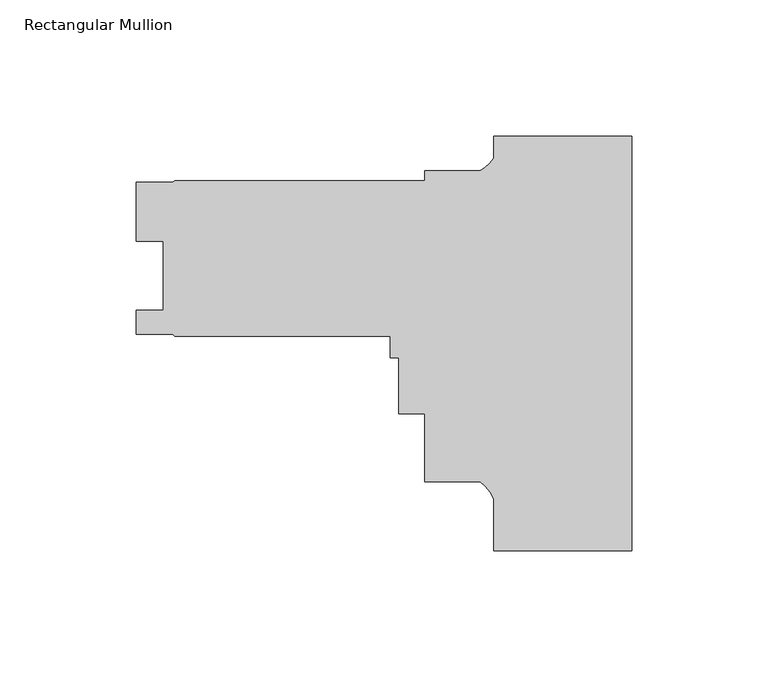
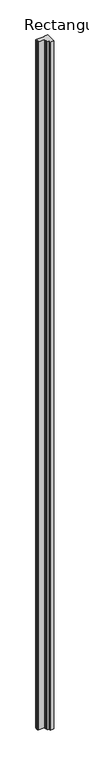
"""IFC4 building model written with IfcOpenShell, lengths in millimetres: member geometry, Rectangular Mullion."""

from ifc_helpers import new_model, si_unit, point, frame, frame_2d, origin, place, context, project, spatial, polyline, circle_curve, trimmed, segment, composite_curve, outline, extrude, source, transform, mapped, element, save


def rectangular_mullion_649ed2ca(model_context):
    return source(origin(), model_context, "Body", "SweptSolid", [
        extrude(outline(composite_curve([segment(polyline([(0.0, -151.8046875), (-50.8, -151.8046875), (-50.8, -132.7155246)]), True, "CONTINUOUS"), segment(trimmed(circle_curve(frame_2d((-64.9144624, -138.7686396)), 15.3576772), [point((-50.8, -132.7155246))], [point((-55.6934851, -126.4872786))], True, "CARTESIAN"), True, "CONTINUOUS"), segment(polyline([(-55.6934851, -126.4872786), (-76.1999898, -126.4872786), (-76.1999898, -101.4428786), (-85.7249898, -101.4428786), (-85.7249898, -80.8180786), (-88.8999898, -80.8180786), (-88.8999898, -73.031823), (-167.9927668, -73.031823), (-168.7865168, -72.238073), (-182.2802668, -72.238073), (-182.2802668, -63.500473), (-172.2345667, -63.500473), (-172.2345667, -38.100473), (-182.2675665, -38.100473), (-182.2675665, -16.3390229), (-168.7846602, -16.3390229), (-167.9927668, -15.881823), (-76.1999898, -15.881823), (-76.1999898, -12.1872786), (-55.7723453, -12.1872786)]), True, "CONTINUOUS"), segment(trimmed(circle_curve(frame_2d((-62.7094465, 0.3883845)), 14.3621265), [point((-55.7723453, -12.1872786))], [point((-50.8, -7.6388043))], True, "CARTESIAN"), True, "CONTINUOUS"), segment(polyline([(-50.8, -7.6388043), (-50.8, 0.5953125), (0.0, 0.5953125), (0.0, -151.8046875)]), True, "CONTINUOUS")], self_intersect=False)), frame((0.0, 0.0, -10462.5941557), z_axis=(0.0, 0.0, 1.0), x_axis=(1.0, 0.0, 0.0)), (0.0, 0.0, 1.0), 10462.5941557),
    ])


if __name__ == "__main__":
    model = new_model("IFC4")
    model_context = context("Model", 3, world=origin())
    ifc_project = project(units=[si_unit("LENGTHUNIT", "METRE", prefix="MILLI")], contexts=[model_context])
    site = spatial("IfcSite", under=ifc_project)
    building = spatial("IfcBuilding", under=site)
    placement = place(None, origin())
    rectangular_mullion_shape = rectangular_mullion_649ed2ca(model_context)
    element("IfcMember", 1, ObjectType="Rectangular Mullion", at=placement, inside=building, context=model_context, shape_type="MappedRepresentation", body=[
        mapped(rectangular_mullion_shape, transform((0.0, 0.0, 0.0), x_axis=(1.0, 0.0, 0.0), y_axis=(0.0, 1.0, 0.0), z_axis=(0.0, 0.0, 1.0))),
    ])
    save(model, "model.ifc")
